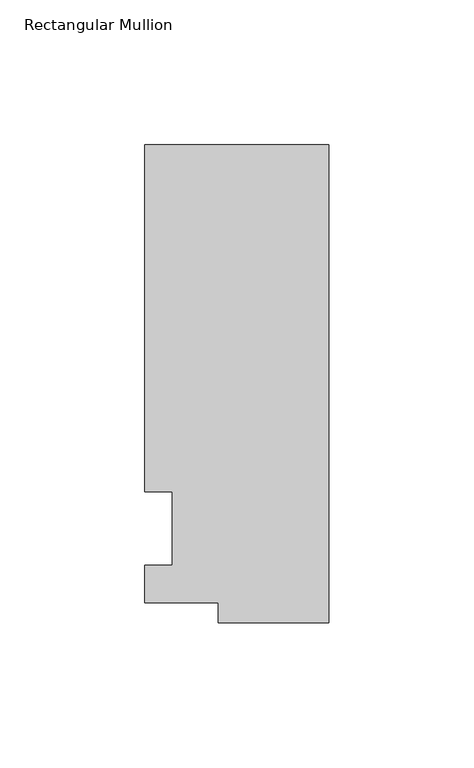
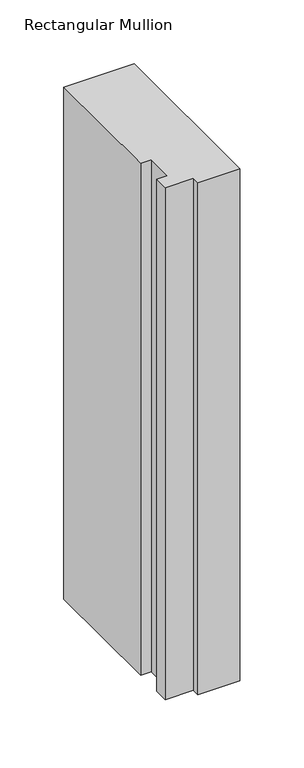
"""IFC4 building model written with IfcOpenShell, lengths in millimetres: member geometry, Rectangular Mullion."""

from ifc_helpers import new_model, si_unit, frame, origin, place, context, project, spatial, polyline, outline, extrude, source, transform, mapped, element, save


def rectangular_mullion_1e56bb0c(model_context):
    return source(origin(), model_context, "Body", "SweptSolid", [
        extrude(outline(polyline([(-38.1, -32.54375), (-38.1, -25.58415), (-63.5, -25.58415), (-63.5, -12.7), (-53.975, -12.7), (-53.975, 12.7), (-63.5, 12.7), (-63.5, 132.55625), (0.0, 132.55625), (0.0, -32.54375), (-38.1, -32.54375)])), frame((0.0, 0.0, -488.95), z_axis=(0.0, 0.0, 1.0), x_axis=(1.0, 0.0, 0.0)), (0.0, 0.0, 1.0), 488.95),
    ])


if __name__ == "__main__":
    model = new_model("IFC4")
    model_context = context("Model", 3, world=origin())
    ifc_project = project(units=[si_unit("LENGTHUNIT", "METRE", prefix="MILLI")], contexts=[model_context])
    site = spatial("IfcSite", under=ifc_project)
    building = spatial("IfcBuilding", under=site)
    placement = place(None, origin())
    rectangular_mullion_shape = rectangular_mullion_1e56bb0c(model_context)
    element("IfcMember", 1, ObjectType="Rectangular Mullion", at=placement, inside=building, context=model_context, shape_type="MappedRepresentation", body=[
        mapped(rectangular_mullion_shape, transform((0.0, 0.0, 0.0), x_axis=(1.0, 0.0, 0.0), y_axis=(0.0, 1.0, 0.0), z_axis=(0.0, 0.0, 1.0))),
    ])
    save(model, "model.ifc")
